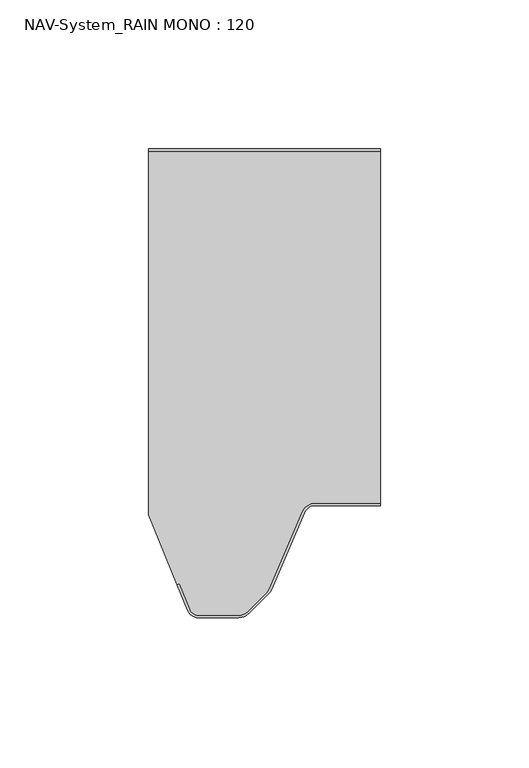
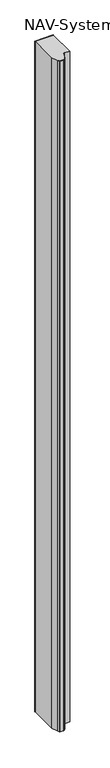
"""IFC4 building model written with IfcOpenShell, lengths in millimetres: plate geometry, NAV-System_RAIN MONO : 120."""

from ifc_helpers import new_model, si_unit, point, frame_2d, origin, origin_with_axes, place, context, project, spatial, polyline, circle_curve, trimmed, segment, composite_curve, outline, extrude, source, transform, mapped, element, save


def nav_system_rain_mono_120_3cdeb0b9(model_context):
    return source(origin(), model_context, "Body", "SweptSolid", [
        extrude(outline(polyline([(-28.0, -0.8), (-28.0, 0.0), (50.0, 0.0), (50.0, -0.8), (-28.0, -0.8)])), origin_with_axes(), (0.0, 0.0, 1.0), 3000.0),
        extrude(outline(composite_curve([segment(trimmed(circle_curve(frame_2d((28.0709249, -124.0)), 4.8), [point((28.0709249, -119.2))], [point((23.6607271, -122.1052295))], True, "CARTESIAN"), True, "CONTINUOUS"), segment(polyline([(23.6607271, -122.1052295), (12.5754349, -147.9069459)]), True, "CONTINUOUS"), segment(trimmed(circle_curve(frame_2d((8.7165118, -146.2490217)), 4.2), [point((12.5754349, -147.9069459))], [point((11.6863603, -149.2188701))], False, "CARTESIAN"), True, "CONTINUOUS"), segment(polyline([(11.6863603, -149.2188701), (5.235382, -155.6698485)]), True, "CONTINUOUS"), segment(trimmed(circle_curve(frame_2d((2.2655335, -152.7)), 4.2), [point((5.235382, -155.6698485))], [point((2.2655335, -156.9))], False, "CARTESIAN"), True, "CONTINUOUS"), segment(polyline([(2.2655335, -156.9), (-11.1405186, -156.9)]), True, "CONTINUOUS"), segment(trimmed(circle_curve(frame_2d((-11.1405186, -153.7)), 3.2), [point((-11.1405186, -156.9))], [point((-14.1022482, -154.9116756))], False, "CARTESIAN"), True, "CONTINUOUS"), segment(polyline([(-14.1022482, -154.9116756), (-17.6292254, -146.2905951), (-18.3696578, -146.593514), (-28.0, -123.053822), (-28.0, -0.8), (50.0, -0.8), (50.0, -119.2), (28.0709249, -119.2)]), True, "CONTINUOUS")], self_intersect=False)), origin_with_axes(), (0.0, 0.0, 1.0), 3000.0),
        extrude(outline(composite_curve([segment(polyline([(-14.8430228, -155.2145945), (-18.37, -146.593514), (-17.6295676, -146.2905951), (-14.1025904, -154.9116756)]), True, "CONTINUOUS"), segment(trimmed(circle_curve(frame_2d((-11.1408608, -153.7)), 3.2), [point((-14.1025904, -154.9116756))], [point((-11.1408608, -156.9))], True, "CARTESIAN"), True, "CONTINUOUS"), segment(polyline([(-11.1408608, -156.9), (2.2651913, -156.9)]), True, "CONTINUOUS"), segment(trimmed(circle_curve(frame_2d((2.2651913, -152.7)), 4.2), [point((2.2651913, -156.9))], [point((5.2350397, -155.6698485))], True, "CARTESIAN"), True, "CONTINUOUS"), segment(polyline([(5.2350397, -155.6698485), (11.6860181, -149.2188701)]), True, "CONTINUOUS"), segment(trimmed(circle_curve(frame_2d((8.7161696, -146.2490217)), 4.2), [point((11.6860181, -149.2188701))], [point((12.5750927, -147.9069459))], True, "CARTESIAN"), True, "CONTINUOUS"), segment(polyline([(12.5750927, -147.9069459), (23.6603849, -122.1052295)]), True, "CONTINUOUS"), segment(trimmed(circle_curve(frame_2d((28.0705827, -124.0)), 4.8), [point((23.6603849, -122.1052295))], [point((28.0705827, -119.2))], False, "CARTESIAN"), True, "CONTINUOUS"), segment(polyline([(28.0705827, -119.2), (50.0, -119.2), (50.0, -120.0), (28.0705827, -120.0)]), True, "CONTINUOUS"), segment(trimmed(circle_curve(frame_2d((28.0705827, -124.0)), 4.0), [point((28.0705827, -120.0))], [point((24.3954178, -122.4210246))], True, "CARTESIAN"), True, "CONTINUOUS"), segment(polyline([(24.3954178, -122.4210246), (13.3101256, -148.2227409)]), True, "CONTINUOUS"), segment(trimmed(circle_curve(frame_2d((8.7161696, -146.2490217)), 5.0), [point((13.3101256, -148.2227409))], [point((12.2517035, -149.7845556))], False, "CARTESIAN"), True, "CONTINUOUS"), segment(polyline([(12.2517035, -149.7845556), (5.8007252, -156.2355339)]), True, "CONTINUOUS"), segment(trimmed(circle_curve(frame_2d((2.2651913, -152.7)), 5.0), [point((5.8007252, -156.2355339))], [point((2.2651913, -157.7))], False, "CARTESIAN"), True, "CONTINUOUS"), segment(polyline([(2.2651913, -157.7), (-11.1408608, -157.7)]), True, "CONTINUOUS"), segment(trimmed(circle_curve(frame_2d((-11.1408608, -153.7)), 4.0), [point((-11.1408608, -157.7))], [point((-14.8430228, -155.2145945))], False, "CARTESIAN"), True, "CONTINUOUS")], self_intersect=False)), origin_with_axes(), (0.0, 0.0, 1.0), 3000.0),
    ])


if __name__ == "__main__":
    model = new_model("IFC4")
    model_context = context("Model", 3, world=origin())
    ifc_project = project(units=[si_unit("LENGTHUNIT", "METRE", prefix="MILLI")], contexts=[model_context])
    site = spatial("IfcSite", under=ifc_project)
    building = spatial("IfcBuilding", under=site)
    placement = place(None, origin())
    nav_system_rain_mono_120_shape = nav_system_rain_mono_120_3cdeb0b9(model_context)
    element("IfcPlate", 1, ObjectType="NAV-System_RAIN MONO : 120", at=placement, inside=building, context=model_context, shape_type="MappedRepresentation", body=[
        mapped(nav_system_rain_mono_120_shape, transform((0.0, 0.0, 0.0), x_axis=(1.0, 0.0, 0.0), y_axis=(0.0, 1.0, 0.0), z_axis=(0.0, 0.0, 1.0))),
    ])
    save(model, "model.ifc")
